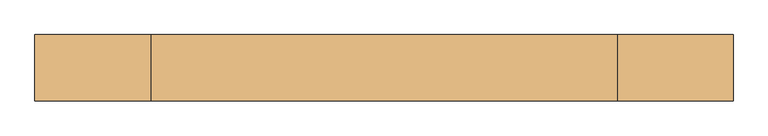
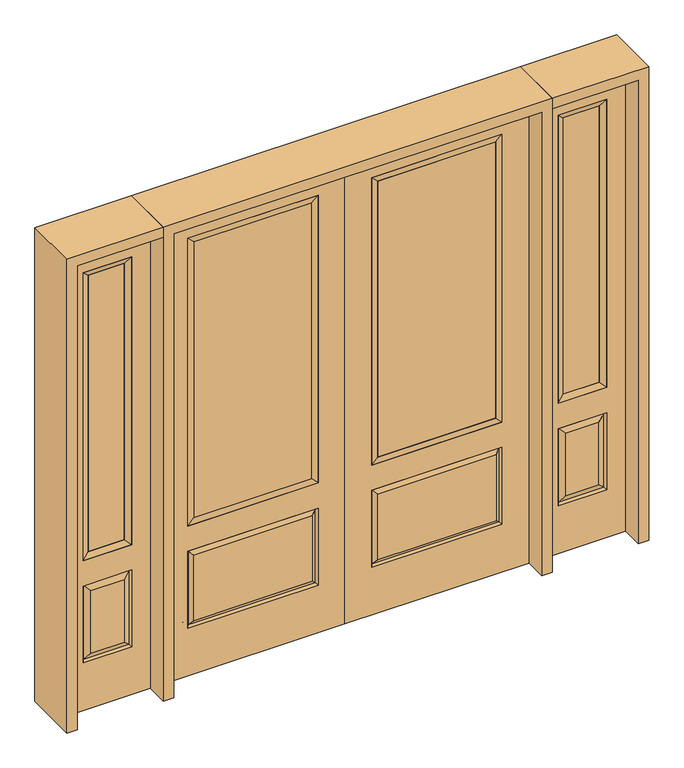
"""IFC4 building model written with IfcOpenShell, lengths in millimetres: door geometry."""

from ifc_helpers import new_model, si_unit, frame, origin, place, context, project, spatial, polyline, outline, extrude, faceted_brep, source, transform, mapped, element, save


def door_40395feb(model_context):
    return source(origin(), model_context, "Body", "SolidModel", [
        faceted_brep([(643.7661499, -12.7912373, 216.6588501), (626.26875, -22.225, 234.15625), (135.73125, -22.225, 234.15625), (118.2338501, -12.7912373, 216.6588501), (111.125, -22.225, 209.55), (650.875, -22.225, 209.55), (650.875, -22.225, 546.1), (643.7661499, -12.7912373, 538.9911499), (0.0, -22.225, 2032.0), (0.0, -22.225, 0.0), (762.0, -22.225, 0.0), (762.0, -22.225, 2032.0), (111.125, -22.225, 546.1), (111.125, -22.225, 1917.7), (650.875, -22.225, 1917.7), (650.875, -22.225, 657.098), (111.125, -22.225, 657.098), (626.26875, -22.225, 521.49375), (135.73125, -22.225, 521.49375), (118.2338501, -12.7912373, 538.9911499), (762.0, 22.225, 0.0), (762.0, 22.225, 2032.0), (0.0, 22.225, 0.0), (0.0, 22.225, 2032.0), (111.125, 22.225, 657.098), (111.125, 22.225, 1917.7), (650.875, 22.225, 657.098), (650.875, 22.225, 1917.7), (135.73125, 22.225, 234.15625), (135.73125, 22.225, 521.49375), (626.26875, 22.225, 521.49375), (626.26875, 22.225, 234.15625), (650.875, 22.225, 209.55), (650.875, 22.225, 546.1), (111.125, 22.225, 546.1), (111.125, 22.225, 209.55), (118.2338501, 12.7912373, 216.6588501), (643.7661499, 12.7912373, 216.6588501), (118.2338501, 12.7912373, 538.9911499), (643.7661499, 12.7912373, 538.9911499)], [[[0, 1, 2, 3]], [[3, 4, 5, 0]], [[5, 6, 7, 0]], [[8, 9, 10, 11], [4, 12, 6, 5], [13, 14, 15, 16]], [[1, 17, 18, 2]], [[3, 19, 12, 4]], [[2, 18, 19, 3]], [[0, 7, 17, 1]], [[6, 12, 19, 7]], [[7, 19, 18, 17]], [[10, 20, 21, 11]], [[9, 22, 20, 10]], [[8, 23, 22, 9]], [[16, 24, 25, 13]], [[15, 26, 24, 16]], [[14, 27, 26, 15]], [[28, 29, 30, 31]], [[23, 21, 20, 22], [25, 24, 26, 27], [32, 33, 34, 35]], [[32, 35, 36, 37]], [[35, 34, 38, 36]], [[39, 38, 34, 33]], [[37, 39, 33, 32]], [[36, 28, 31, 37]], [[31, 30, 39, 37]], [[30, 29, 38, 39]], [[36, 38, 29, 28]], [[11, 21, 23, 8]], [[13, 25, 27, 14]]]),
        faceted_brep([(650.875, -22.225, 1917.7), (650.875, -22.225, 657.098), (650.875, 22.225, 657.098), (650.875, 22.225, 1917.7), (111.125, -22.225, 657.098), (111.125, 22.225, 657.098), (136.525, 5.08, 682.498), (625.475, 5.08, 682.498), (111.125, -22.225, 1917.7), (111.125, 22.225, 1917.7), (625.475, -20.32, 682.498), (136.525, -20.32, 682.498), (625.475, -20.32, 1892.3), (136.525, -20.32, 1892.3), (625.475, 5.08, 1892.3), (136.525, 5.08, 1892.3)], [[[0, 1, 2, 3]], [[1, 4, 5, 2]], [[2, 5, 6, 7]], [[4, 8, 9, 5]], [[10, 11, 4, 1]], [[12, 10, 1, 0]], [[11, 13, 8, 4]], [[7, 6, 11, 10]], [[14, 7, 10, 12]], [[6, 15, 13, 11]], [[3, 2, 7, 14]], [[5, 9, 15, 6]], [[8, 0, 3, 9]], [[13, 12, 0, 8]], [[15, 14, 12, 13]], [[9, 3, 14, 15]]]),
        extrude(outline(polyline([(136.525, -20.32), (136.525, 5.08), (625.475, 5.08), (625.475, -20.32), (136.525, -20.32)])), frame((0.0, 0.0, 682.498), z_axis=(0.0, 0.0, 1.0), x_axis=(1.0, 0.0, 0.0)), (0.0, 0.0, 1.0), 1209.802),
        faceted_brep([(806.45, -22.225, 0.0), (1162.05, -22.225, 0.0), (1162.05, -22.225, 2032.0), (806.45, -22.225, 2032.0), (1084.58, -22.225, 1919.224), (1084.58, -22.225, 657.098), (883.92, -22.225, 657.098), (883.92, -22.225, 1919.224), (1084.58, -22.225, 209.55), (883.92, -22.225, 209.55), (883.92, -22.225, 546.1), (1084.58, -22.225, 546.1), (915.6351001, -22.225, 241.2651001), (1052.8648999, -22.225, 241.2651001), (1052.8648999, -22.225, 514.3848999), (915.6351001, -22.225, 514.3848999), (806.45, 22.225, 0.0), (806.45, 22.225, 2032.0), (1162.05, 22.225, 2032.0), (1162.05, 22.225, 0.0), (1084.58, 22.225, 1919.224), (883.92, 22.225, 1919.224), (883.92, 22.225, 657.098), (1084.58, 22.225, 657.098), (883.92, 22.225, 209.55), (1084.58, 22.225, 209.55), (1084.58, 22.225, 546.1), (883.92, 22.225, 546.1), (1052.8648999, 22.225, 241.2651001), (915.6351001, 22.225, 241.2651001), (915.6351001, 22.225, 514.3848999), (1052.8648999, 22.225, 514.3848999), (1077.4711499, 12.7912373, 216.6588501), (891.0288501, 12.7912373, 216.6588501), (891.0288501, 12.7912373, 538.9911499), (1077.4711499, 12.7912373, 538.9911499), (891.0288501, -12.7912373, 216.6588501), (1077.4711499, -12.7912373, 216.6588501), (891.0288501, -12.7912373, 538.9911499), (1077.4711499, -12.7912373, 538.9911499)], [[[0, 1, 2, 3], [4, 5, 6, 7], [8, 9, 10, 11]], [[12, 13, 14, 15]], [[16, 17, 18, 19], [20, 21, 22, 23], [24, 25, 26, 27]], [[28, 29, 30, 31]], [[1, 0, 16, 19]], [[2, 1, 19, 18]], [[3, 2, 18, 17]], [[0, 3, 17, 16]], [[5, 4, 20, 23]], [[6, 5, 23, 22]], [[7, 6, 22, 21]], [[4, 7, 21, 20]], [[32, 33, 29, 28]], [[33, 32, 25, 24]], [[29, 33, 34, 30]], [[33, 24, 27, 34]], [[30, 34, 35, 31]], [[34, 27, 26, 35]], [[32, 28, 31, 35]], [[25, 32, 35, 26]], [[12, 36, 37, 13]], [[37, 36, 9, 8]], [[36, 12, 15, 38]], [[9, 36, 38, 10]], [[38, 15, 14, 39]], [[10, 38, 39, 11]], [[13, 37, 39, 14]], [[37, 8, 11, 39]]]),
        faceted_brep([(883.92, 22.225, 1919.224), (883.92, -22.225, 1919.224), (1084.58, -22.225, 1919.224), (1084.58, 22.225, 1919.224), (909.32, 12.7, 1893.824), (1059.18, 12.7, 1893.824), (909.32, -12.7, 1893.824), (1059.18, -12.7, 1893.824), (1084.58, -22.225, 657.098), (1084.58, 22.225, 657.098), (1059.18, 12.7, 682.498), (1059.18, -12.7, 682.498), (883.92, -22.225, 657.098), (883.92, 22.225, 657.098), (909.32, 12.7, 682.498), (909.32, -12.7, 682.498)], [[[0, 1, 2, 3]], [[4, 0, 3, 5]], [[6, 4, 5, 7]], [[1, 6, 7, 2]], [[3, 2, 8, 9]], [[5, 3, 9, 10]], [[7, 5, 10, 11]], [[2, 7, 11, 8]], [[9, 8, 12, 13]], [[10, 9, 13, 14]], [[11, 10, 14, 15]], [[8, 11, 15, 12]], [[13, 12, 1, 0]], [[14, 13, 0, 4]], [[15, 14, 4, 6]], [[12, 15, 6, 1]]]),
        extrude(outline(polyline([(1059.18, -12.7), (909.32, -12.7), (909.32, 12.7), (1059.18, 12.7), (1059.18, -12.7)])), frame((0.0, 0.0, 682.498), z_axis=(0.0, 0.0, 1.0), x_axis=(1.0, 0.0, 0.0)), (0.0, 0.0, 1.0), 1211.326),
        faceted_brep([(-1162.05, -22.225, 0.0), (-806.45, -22.225, 0.0), (-806.45, -22.225, 2032.0), (-1162.05, -22.225, 2032.0), (-883.92, -22.225, 1919.224), (-883.92, -22.225, 657.098), (-1084.58, -22.225, 657.098), (-1084.58, -22.225, 1919.224), (-883.92, -22.225, 209.55), (-1084.58, -22.225, 209.55), (-1084.58, -22.225, 546.1), (-883.92, -22.225, 546.1), (-1052.8648999, -22.225, 241.2651001), (-915.6351001, -22.225, 241.2651001), (-915.6351001, -22.225, 514.3848999), (-1052.8648999, -22.225, 514.3848999), (-1162.05, 22.225, 0.0), (-1162.05, 22.225, 2032.0), (-806.45, 22.225, 2032.0), (-806.45, 22.225, 0.0), (-883.92, 22.225, 1919.224), (-1084.58, 22.225, 1919.224), (-1084.58, 22.225, 657.098), (-883.92, 22.225, 657.098), (-1084.58, 22.225, 209.55), (-883.92, 22.225, 209.55), (-883.92, 22.225, 546.1), (-1084.58, 22.225, 546.1), (-915.6351001, 22.225, 241.2651001), (-1052.8648999, 22.225, 241.2651001), (-1052.8648999, 22.225, 514.3848999), (-915.6351001, 22.225, 514.3848999), (-891.0288501, 12.7912373, 216.6588501), (-1077.4711499, 12.7912373, 216.6588501), (-1077.4711499, 12.7912373, 538.9911499), (-891.0288501, 12.7912373, 538.9911499), (-1077.4711499, -12.7912373, 216.6588501), (-891.0288501, -12.7912373, 216.6588501), (-1077.4711499, -12.7912373, 538.9911499), (-891.0288501, -12.7912373, 538.9911499)], [[[0, 1, 2, 3], [4, 5, 6, 7], [8, 9, 10, 11]], [[12, 13, 14, 15]], [[16, 17, 18, 19], [20, 21, 22, 23], [24, 25, 26, 27]], [[28, 29, 30, 31]], [[1, 0, 16, 19]], [[2, 1, 19, 18]], [[3, 2, 18, 17]], [[0, 3, 17, 16]], [[5, 4, 20, 23]], [[6, 5, 23, 22]], [[7, 6, 22, 21]], [[4, 7, 21, 20]], [[32, 33, 29, 28]], [[33, 32, 25, 24]], [[29, 33, 34, 30]], [[33, 24, 27, 34]], [[30, 34, 35, 31]], [[34, 27, 26, 35]], [[32, 28, 31, 35]], [[25, 32, 35, 26]], [[12, 36, 37, 13]], [[37, 36, 9, 8]], [[36, 12, 15, 38]], [[9, 36, 38, 10]], [[38, 15, 14, 39]], [[10, 38, 39, 11]], [[13, 37, 39, 14]], [[37, 8, 11, 39]]]),
        faceted_brep([(-1084.58, 22.225, 1919.224), (-1084.58, -22.225, 1919.224), (-883.92, -22.225, 1919.224), (-883.92, 22.225, 1919.224), (-1059.18, 12.7, 1893.824), (-909.32, 12.7, 1893.824), (-1059.18, -12.7, 1893.824), (-909.32, -12.7, 1893.824), (-883.92, -22.225, 657.098), (-883.92, 22.225, 657.098), (-909.32, 12.7, 682.498), (-909.32, -12.7, 682.498), (-1084.58, -22.225, 657.098), (-1084.58, 22.225, 657.098), (-1059.18, 12.7, 682.498), (-1059.18, -12.7, 682.498)], [[[0, 1, 2, 3]], [[4, 0, 3, 5]], [[6, 4, 5, 7]], [[1, 6, 7, 2]], [[3, 2, 8, 9]], [[5, 3, 9, 10]], [[7, 5, 10, 11]], [[2, 7, 11, 8]], [[9, 8, 12, 13]], [[10, 9, 13, 14]], [[11, 10, 14, 15]], [[8, 11, 15, 12]], [[13, 12, 1, 0]], [[14, 13, 0, 4]], [[15, 14, 4, 6]], [[12, 15, 6, 1]]]),
        extrude(outline(polyline([(-909.32, -12.7), (-1059.18, -12.7), (-1059.18, 12.7), (-909.32, 12.7), (-909.32, -12.7)])), frame((0.0, 0.0, 682.498), z_axis=(0.0, 0.0, 1.0), x_axis=(1.0, 0.0, 0.0)), (0.0, 0.0, 1.0), 1211.326),
        faceted_brep([(-643.7661499, -12.7912373, 216.6588501), (-118.2338501, -12.7912373, 216.6588501), (-135.73125, -22.225, 234.15625), (-626.26875, -22.225, 234.15625), (-650.875, -22.225, 209.55), (-111.125, -22.225, 209.55), (-643.7661499, -12.7912373, 538.9911499), (-650.875, -22.225, 546.1), (-135.73125, -22.225, 521.49375), (-626.26875, -22.225, 521.49375), (0.0, -22.225, 2032.0), (-762.0, -22.225, 2032.0), (-762.0, -22.225, 0.0), (0.0, -22.225, 0.0), (-111.125, -22.225, 546.1), (-111.125, -22.225, 1917.7), (-111.125, -22.225, 657.098), (-650.875, -22.225, 657.098), (-650.875, -22.225, 1917.7), (-118.2338501, -12.7912373, 538.9911499), (-762.0, 22.225, 2032.0), (-762.0, 22.225, 0.0), (0.0, 22.225, 0.0), (0.0, 22.225, 2032.0), (-111.125, 22.225, 1917.7), (-111.125, 22.225, 657.098), (-650.875, 22.225, 657.098), (-650.875, 22.225, 1917.7), (-650.875, 22.225, 209.55), (-111.125, 22.225, 209.55), (-111.125, 22.225, 546.1), (-650.875, 22.225, 546.1), (-135.73125, 22.225, 234.15625), (-626.26875, 22.225, 234.15625), (-626.26875, 22.225, 521.49375), (-135.73125, 22.225, 521.49375), (-643.7661499, 12.7912373, 216.6588501), (-118.2338501, 12.7912373, 216.6588501), (-118.2338501, 12.7912373, 538.9911499), (-643.7661499, 12.7912373, 538.9911499)], [[[0, 1, 2, 3]], [[1, 0, 4, 5]], [[4, 0, 6, 7]], [[3, 2, 8, 9]], [[10, 11, 12, 13], [5, 4, 7, 14], [15, 16, 17, 18]], [[1, 5, 14, 19]], [[2, 1, 19, 8]], [[0, 3, 9, 6]], [[7, 6, 19, 14]], [[6, 9, 8, 19]], [[12, 11, 20, 21]], [[13, 12, 21, 22]], [[10, 13, 22, 23]], [[16, 15, 24, 25]], [[17, 16, 25, 26]], [[18, 17, 26, 27]], [[23, 22, 21, 20], [28, 29, 30, 31], [24, 27, 26, 25]], [[32, 33, 34, 35]], [[28, 36, 37, 29]], [[29, 37, 38, 30]], [[39, 31, 30, 38]], [[36, 28, 31, 39]], [[37, 36, 33, 32]], [[33, 36, 39, 34]], [[34, 39, 38, 35]], [[37, 32, 35, 38]], [[11, 10, 23, 20]], [[15, 18, 27, 24]]]),
        faceted_brep([(-650.875, -22.225, 1917.7), (-650.875, 22.225, 1917.7), (-650.875, 22.225, 657.098), (-650.875, -22.225, 657.098), (-111.125, 22.225, 657.098), (-111.125, -22.225, 657.098), (-625.475, 5.08, 682.498), (-136.525, 5.08, 682.498), (-111.125, 22.225, 1917.7), (-111.125, -22.225, 1917.7), (-625.475, -20.32, 682.498), (-136.525, -20.32, 682.498), (-625.475, -20.32, 1892.3), (-136.525, -20.32, 1892.3), (-625.475, 5.08, 1892.3), (-136.525, 5.08, 1892.3)], [[[0, 1, 2, 3]], [[3, 2, 4, 5]], [[2, 6, 7, 4]], [[5, 4, 8, 9]], [[10, 3, 5, 11]], [[12, 0, 3, 10]], [[11, 5, 9, 13]], [[6, 10, 11, 7]], [[14, 12, 10, 6]], [[7, 11, 13, 15]], [[1, 14, 6, 2]], [[4, 7, 15, 8]], [[9, 8, 1, 0]], [[13, 9, 0, 12]], [[15, 13, 12, 14]], [[8, 15, 14, 1]]]),
        extrude(outline(polyline([(-136.525, -20.32), (-625.475, -20.32), (-625.475, 5.08), (-136.525, 5.08), (-136.525, -20.32)])), frame((0.0, 0.0, 682.498), z_axis=(0.0, 0.0, 1.0), x_axis=(1.0, 0.0, 0.0)), (0.0, 0.0, 1.0), 1209.802),
        extrude(outline(polyline([(2032.0, -806.45), (2076.45, -806.45), (2076.45, -1206.5), (0.0, -1206.5), (0.0, -1162.05), (2032.0, -1162.05), (2032.0, -806.45)])), frame((0.0, -114.3, 0.0), z_axis=(0.0, 1.0, 0.0), x_axis=(0.0, 0.0, 1.0)), (0.0, 0.0, 1.0), 228.6),
        extrude(outline(polyline([(2076.45, -806.45), (0.0, -806.45), (0.0, -762.0), (2032.0, -762.0), (2032.0, 762.0), (0.0, 762.0), (0.0, 806.45), (2076.45, 806.45), (2076.45, -806.45)])), frame((0.0, -114.3, 0.0), z_axis=(0.0, 1.0, 0.0), x_axis=(0.0, 0.0, 1.0)), (0.0, 0.0, 1.0), 228.6),
        extrude(outline(polyline([(0.0, 1162.05), (0.0, 1206.5), (2076.45, 1206.5), (2076.45, 806.45), (2032.0, 806.45), (2032.0, 1162.05), (0.0, 1162.05)])), frame((0.0, -114.3, 0.0), z_axis=(0.0, 1.0, 0.0), x_axis=(0.0, 0.0, 1.0)), (0.0, 0.0, 1.0), 228.6),
    ])


if __name__ == "__main__":
    model = new_model("IFC4")
    model_context = context("Model", 3, world=origin())
    ifc_project = project(units=[si_unit("LENGTHUNIT", "METRE", prefix="MILLI")], contexts=[model_context])
    site = spatial("IfcSite", under=ifc_project)
    building = spatial("IfcBuilding", under=site)
    placement = place(None, origin())
    door_shape = door_40395feb(model_context)
    element("IfcDoor", 1, at=placement, inside=building, context=model_context, shape_type="MappedRepresentation", body=[
        mapped(door_shape, transform((0.0, 0.0, 0.0), x_axis=(1.0, 0.0, 0.0), y_axis=(0.0, 1.0, 0.0), z_axis=(0.0, 0.0, 1.0))),
    ])
    save(model, "model.ifc")
